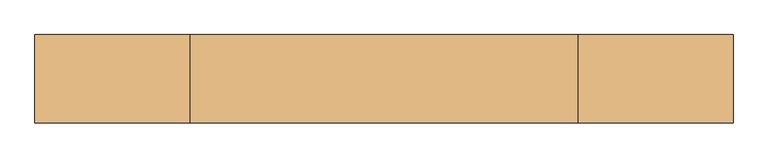
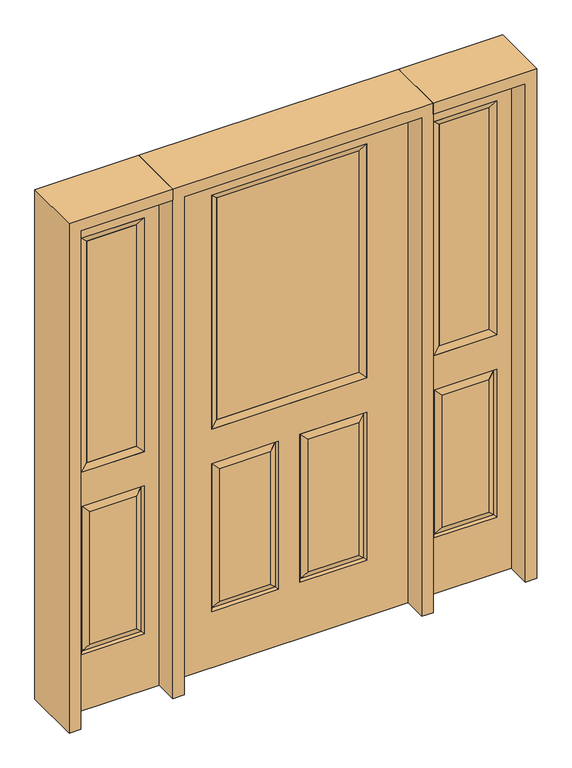
"""IFC4 building model written with IfcOpenShell, lengths in millimetres: door geometry."""

from ifc_helpers import new_model, si_unit, frame, origin, place, context, project, spatial, polyline, outline, extrude, faceted_brep, source, transform, mapped, element, save


def door_e69eb593(model_context):
    return source(origin(), model_context, "Body", "SolidModel", [
        faceted_brep([(-457.2, 22.225, 0.0), (-457.2, 22.225, 2032.0), (457.2, 22.225, 2032.0), (457.2, 22.225, 0.0), (-299.339, 22.225, 971.55), (299.339, 22.225, 971.55), (299.339, 22.225, 1925.574), (-299.339, 22.225, 1925.574), (-299.339, 22.225, 831.85), (-299.339, 22.225, 228.6), (-41.275, 22.225, 228.6), (-41.275, 22.225, 831.85), (41.275, 22.225, 831.85), (41.275, 22.225, 228.6), (299.339, 22.225, 228.6), (299.339, 22.225, 831.85), (-73.025, 22.225, 800.1), (-73.025, 22.225, 260.35), (-267.589, 22.225, 260.35), (-267.589, 22.225, 800.1), (267.589, 22.225, 800.1), (267.589, 22.225, 260.35), (73.025, 22.225, 260.35), (73.025, 22.225, 800.1), (457.2, -22.225, 0.0), (-457.2, -22.225, 0.0), (457.2, -22.225, 2032.0), (-457.2, -22.225, 2032.0), (-299.339, -22.225, 1925.574), (-299.339, -22.225, 971.55), (299.339, -22.225, 971.55), (299.339, -22.225, 1925.574), (-41.275, -22.225, 831.85), (-41.275, -22.225, 228.6), (-299.339, -22.225, 228.6), (-299.339, -22.225, 831.85), (299.339, -22.225, 831.85), (299.339, -22.225, 228.6), (41.275, -22.225, 228.6), (41.275, -22.225, 831.85), (-267.589, -22.225, 800.1), (-267.589, -22.225, 260.35), (-73.025, -22.225, 260.35), (-73.025, -22.225, 800.1), (73.025, -22.225, 800.1), (73.025, -22.225, 260.35), (267.589, -22.225, 260.35), (267.589, -22.225, 800.1), (-292.19525, 12.7449236, 824.70625), (-48.41875, 12.7449236, 824.70625), (-292.19525, 12.7449236, 235.74375), (-48.41875, 12.7449236, 235.74375), (292.19525, 12.7449236, 824.70625), (48.41875, 12.7449236, 824.70625), (48.41875, 12.7449236, 235.74375), (292.19525, 12.7449236, 235.74375), (-292.19525, -12.7449236, 824.70625), (-48.41875, -12.7449236, 824.70625), (-48.41875, -12.7449236, 235.74375), (-292.19525, -12.7449236, 235.74375), (292.19525, -12.7449236, 824.70625), (48.41875, -12.7449236, 824.70625), (292.19525, -12.7449236, 235.74375), (48.41875, -12.7449236, 235.74375)], [[[0, 1, 2, 3], [4, 5, 6, 7], [8, 9, 10, 11], [12, 13, 14, 15]], [[16, 17, 18, 19]], [[20, 21, 22, 23]], [[3, 24, 25, 0]], [[2, 26, 24, 3]], [[0, 25, 27, 1]], [[7, 28, 29, 4]], [[5, 30, 31, 6]], [[4, 29, 30, 5]], [[25, 24, 26, 27], [29, 28, 31, 30], [32, 33, 34, 35], [36, 37, 38, 39]], [[40, 41, 42, 43]], [[44, 45, 46, 47]], [[1, 27, 26, 2]], [[6, 31, 28, 7]], [[16, 19, 48, 49]], [[19, 18, 50, 48]], [[51, 50, 18, 17]], [[49, 51, 17, 16]], [[48, 8, 11, 49]], [[11, 10, 51, 49]], [[10, 9, 50, 51]], [[48, 50, 9, 8]], [[52, 20, 23, 53]], [[23, 22, 54, 53]], [[22, 21, 55, 54]], [[52, 55, 21, 20]], [[53, 12, 15, 52]], [[15, 14, 55, 52]], [[54, 55, 14, 13]], [[53, 54, 13, 12]], [[56, 40, 43, 57]], [[43, 42, 58, 57]], [[42, 41, 59, 58]], [[56, 59, 41, 40]], [[57, 32, 35, 56]], [[35, 34, 59, 56]], [[58, 59, 34, 33]], [[57, 58, 33, 32]], [[44, 47, 60, 61]], [[47, 46, 62, 60]], [[63, 62, 46, 45]], [[61, 63, 45, 44]], [[60, 36, 39, 61]], [[39, 38, 63, 61]], [[38, 37, 62, 63]], [[60, 62, 37, 36]]]),
        extrude(outline(polyline([(273.939, 12.7), (273.939, -12.7), (-273.939, -12.7), (-273.939, 12.7), (273.939, 12.7)])), frame((0.0, 0.0, 996.95), z_axis=(0.0, 0.0, 1.0), x_axis=(1.0, 0.0, 0.0)), (0.0, 0.0, 1.0), 903.224),
        faceted_brep([(-299.339, 22.225, 1925.574), (-299.339, 22.225, 971.55), (-299.339, -22.225, 971.55), (-299.339, -22.225, 1925.574), (299.339, 22.225, 971.55), (299.339, -22.225, 971.55), (273.939, -12.7, 996.95), (-273.939, -12.7, 996.95), (299.339, 22.225, 1925.574), (299.339, -22.225, 1925.574), (-273.939, 12.7, 996.95), (273.939, 12.7, 996.95), (-273.939, 12.7, 1900.174), (273.939, 12.7, 1900.174), (-273.939, -12.7, 1900.174), (273.939, -12.7, 1900.174)], [[[0, 1, 2, 3]], [[1, 4, 5, 2]], [[2, 5, 6, 7]], [[4, 8, 9, 5]], [[10, 11, 4, 1]], [[12, 10, 1, 0]], [[11, 13, 8, 4]], [[7, 6, 11, 10]], [[14, 7, 10, 12]], [[6, 15, 13, 11]], [[3, 2, 7, 14]], [[5, 9, 15, 6]], [[8, 0, 3, 9]], [[13, 12, 0, 8]], [[15, 14, 12, 13]], [[9, 3, 14, 15]]]),
        faceted_brep([(857.25, 22.225, 0.0), (501.65, 22.225, 0.0), (501.65, 22.225, 2032.0), (857.25, 22.225, 2032.0), (558.038, 22.225, 1925.574), (558.038, 22.225, 971.55), (800.862, 22.225, 971.55), (800.862, 22.225, 1925.574), (558.038, 22.225, 228.6), (800.862, 22.225, 228.6), (800.862, 22.225, 831.85), (558.038, 22.225, 831.85), (768.9559872, 22.225, 260.5060128), (589.9440128, 22.225, 260.5060128), (589.9440128, 22.225, 799.9439872), (768.9559872, 22.225, 799.9439872), (857.25, -22.225, 0.0), (501.65, -22.225, 0.0), (501.65, -22.225, 2032.0), (857.25, -22.225, 2032.0), (558.038, -22.225, 1925.574), (558.038, -22.225, 971.55), (800.862, -22.225, 971.55), (800.862, -22.225, 1925.574), (800.862, -22.225, 228.6), (558.038, -22.225, 228.6), (558.038, -22.225, 831.85), (800.862, -22.225, 831.85), (589.9440128, -22.225, 260.5060128), (768.9559872, -22.225, 260.5060128), (768.9559872, -22.225, 799.9439872), (589.9440128, -22.225, 799.9439872), (564.9580067, 13.0418409, 235.5200067), (793.9419933, 13.0418409, 235.5200067), (793.9419933, 13.0418409, 824.9299933), (564.9580067, 13.0418409, 824.9299933), (793.9419933, -13.0418409, 235.5200067), (564.9580067, -13.0418409, 235.5200067), (564.9580067, -13.0418409, 824.9299933), (793.9419933, -13.0418409, 824.9299933)], [[[0, 1, 2, 3], [4, 5, 6, 7], [8, 9, 10, 11]], [[12, 13, 14, 15]], [[1, 0, 16, 17]], [[2, 1, 17, 18]], [[0, 3, 19, 16]], [[5, 4, 20, 21]], [[6, 5, 21, 22]], [[7, 6, 22, 23]], [[16, 19, 18, 17], [20, 23, 22, 21], [24, 25, 26, 27]], [[28, 29, 30, 31]], [[3, 2, 18, 19]], [[4, 7, 23, 20]], [[8, 32, 33, 9]], [[9, 33, 34, 10]], [[35, 11, 10, 34]], [[32, 8, 11, 35]], [[33, 32, 13, 12]], [[13, 32, 35, 14]], [[14, 35, 34, 15]], [[33, 12, 15, 34]], [[36, 37, 25, 24]], [[25, 37, 38, 26]], [[26, 38, 39, 27]], [[36, 24, 27, 39]], [[37, 36, 29, 28]], [[29, 36, 39, 30]], [[38, 31, 30, 39]], [[37, 28, 31, 38]]]),
        extrude(outline(polyline([(583.438, 12.7), (775.462, 12.7), (775.462, -12.7), (583.438, -12.7), (583.438, 12.7)])), frame((0.0, 0.0, 996.95), z_axis=(0.0, 0.0, 1.0), x_axis=(1.0, 0.0, 0.0)), (0.0, 0.0, 1.0), 903.224),
        faceted_brep([(800.862, 22.225, 1925.574), (800.862, -22.225, 1925.574), (800.862, -22.225, 971.55), (800.862, 22.225, 971.55), (558.038, -22.225, 971.55), (558.038, 22.225, 971.55), (775.462, -12.7, 996.95), (583.438, -12.7, 996.95), (558.038, -22.225, 1925.574), (558.038, 22.225, 1925.574), (775.462, 12.7, 996.95), (583.438, 12.7, 996.95), (775.462, 12.7, 1900.174), (583.438, 12.7, 1900.174), (775.462, -12.7, 1900.174), (583.438, -12.7, 1900.174)], [[[0, 1, 2, 3]], [[3, 2, 4, 5]], [[2, 6, 7, 4]], [[5, 4, 8, 9]], [[10, 3, 5, 11]], [[12, 0, 3, 10]], [[11, 5, 9, 13]], [[6, 10, 11, 7]], [[14, 12, 10, 6]], [[7, 11, 13, 15]], [[1, 14, 6, 2]], [[4, 7, 15, 8]], [[9, 8, 1, 0]], [[13, 9, 0, 12]], [[15, 13, 12, 14]], [[8, 15, 14, 1]]]),
        faceted_brep([(-857.25, 22.225, 0.0), (-857.25, 22.225, 2032.0), (-501.65, 22.225, 2032.0), (-501.65, 22.225, 0.0), (-558.038, 22.225, 1925.574), (-800.862, 22.225, 1925.574), (-800.862, 22.225, 971.55), (-558.038, 22.225, 971.55), (-558.038, 22.225, 228.6), (-558.038, 22.225, 831.85), (-800.862, 22.225, 831.85), (-800.862, 22.225, 228.6), (-768.9559872, 22.225, 260.5060128), (-768.9559872, 22.225, 799.9439872), (-589.9440128, 22.225, 799.9439872), (-589.9440128, 22.225, 260.5060128), (-501.65, -22.225, 0.0), (-857.25, -22.225, 0.0), (-501.65, -22.225, 2032.0), (-857.25, -22.225, 2032.0), (-558.038, -22.225, 971.55), (-558.038, -22.225, 1925.574), (-800.862, -22.225, 971.55), (-800.862, -22.225, 1925.574), (-800.862, -22.225, 228.6), (-800.862, -22.225, 831.85), (-558.038, -22.225, 831.85), (-558.038, -22.225, 228.6), (-589.9440128, -22.225, 260.5060128), (-589.9440128, -22.225, 799.9439872), (-768.9559872, -22.225, 799.9439872), (-768.9559872, -22.225, 260.5060128), (-793.9419933, 13.0418409, 235.5200067), (-564.9580067, 13.0418409, 235.5200067), (-793.9419933, 13.0418409, 824.9299933), (-564.9580067, 13.0418409, 824.9299933), (-793.9419933, -13.0418409, 235.5200067), (-564.9580067, -13.0418409, 235.5200067), (-564.9580067, -13.0418409, 824.9299933), (-793.9419933, -13.0418409, 824.9299933)], [[[0, 1, 2, 3], [4, 5, 6, 7], [8, 9, 10, 11]], [[12, 13, 14, 15]], [[3, 16, 17, 0]], [[2, 18, 16, 3]], [[0, 17, 19, 1]], [[7, 20, 21, 4]], [[6, 22, 20, 7]], [[5, 23, 22, 6]], [[17, 16, 18, 19], [21, 20, 22, 23], [24, 25, 26, 27]], [[28, 29, 30, 31]], [[1, 19, 18, 2]], [[4, 21, 23, 5]], [[8, 11, 32, 33]], [[11, 10, 34, 32]], [[35, 34, 10, 9]], [[33, 35, 9, 8]], [[32, 12, 15, 33]], [[15, 14, 35, 33]], [[14, 13, 34, 35]], [[32, 34, 13, 12]], [[36, 24, 27, 37]], [[27, 26, 38, 37]], [[26, 25, 39, 38]], [[36, 39, 25, 24]], [[37, 28, 31, 36]], [[31, 30, 39, 36]], [[38, 39, 30, 29]], [[37, 38, 29, 28]]]),
        extrude(outline(polyline([(-583.438, 12.7), (-583.438, -12.7), (-775.462, -12.7), (-775.462, 12.7), (-583.438, 12.7)])), frame((0.0, 0.0, 996.95), z_axis=(0.0, 0.0, 1.0), x_axis=(1.0, 0.0, 0.0)), (0.0, 0.0, 1.0), 903.224),
        faceted_brep([(-800.862, 22.225, 1925.574), (-800.862, 22.225, 971.55), (-800.862, -22.225, 971.55), (-800.862, -22.225, 1925.574), (-558.038, 22.225, 971.55), (-558.038, -22.225, 971.55), (-583.438, -12.7, 996.95), (-775.462, -12.7, 996.95), (-558.038, 22.225, 1925.574), (-558.038, -22.225, 1925.574), (-775.462, 12.7, 996.95), (-583.438, 12.7, 996.95), (-775.462, 12.7, 1900.174), (-583.438, 12.7, 1900.174), (-775.462, -12.7, 1900.174), (-583.438, -12.7, 1900.174)], [[[0, 1, 2, 3]], [[1, 4, 5, 2]], [[2, 5, 6, 7]], [[4, 8, 9, 5]], [[10, 11, 4, 1]], [[12, 10, 1, 0]], [[11, 13, 8, 4]], [[7, 6, 11, 10]], [[14, 7, 10, 12]], [[6, 15, 13, 11]], [[3, 2, 7, 14]], [[5, 9, 15, 6]], [[8, 0, 3, 9]], [[13, 12, 0, 8]], [[15, 14, 12, 13]], [[9, 3, 14, 15]]]),
        extrude(outline(polyline([(2076.45, -501.65), (2076.45, -901.7), (0.0, -901.7), (0.0, -857.25), (2032.0, -857.25), (2032.0, -501.65), (2076.45, -501.65)])), frame((0.0, -114.3, 0.0), z_axis=(0.0, 1.0, 0.0), x_axis=(0.0, 0.0, 1.0)), (0.0, 0.0, 1.0), 228.6),
        extrude(outline(polyline([(2032.0, 501.65), (2032.0, 857.25), (0.0, 857.25), (0.0, 901.7), (2076.45, 901.7), (2076.45, 501.65), (2032.0, 501.65)])), frame((0.0, -114.3, 0.0), z_axis=(0.0, 1.0, 0.0), x_axis=(0.0, 0.0, 1.0)), (0.0, 0.0, 1.0), 228.6),
        extrude(outline(polyline([(0.0, -457.2), (2032.0, -457.2), (2032.0, 457.2), (0.0, 457.2), (0.0, 501.65), (2076.45, 501.65), (2076.45, -501.65), (0.0, -501.65), (0.0, -457.2)])), frame((0.0, -114.3, 0.0), z_axis=(0.0, 1.0, 0.0), x_axis=(0.0, 0.0, 1.0)), (0.0, 0.0, 1.0), 228.6),
    ])


if __name__ == "__main__":
    model = new_model("IFC4")
    model_context = context("Model", 3, world=origin())
    ifc_project = project(units=[si_unit("LENGTHUNIT", "METRE", prefix="MILLI")], contexts=[model_context])
    site = spatial("IfcSite", under=ifc_project)
    building = spatial("IfcBuilding", under=site)
    placement = place(None, origin())
    door_shape = door_e69eb593(model_context)
    element("IfcDoor", 1, at=placement, inside=building, context=model_context, shape_type="MappedRepresentation", body=[
        mapped(door_shape, transform((0.0, 0.0, 0.0), x_axis=(1.0, 0.0, 0.0), y_axis=(0.0, 1.0, 0.0), z_axis=(0.0, 0.0, 1.0))),
    ])
    save(model, "model.ifc")
